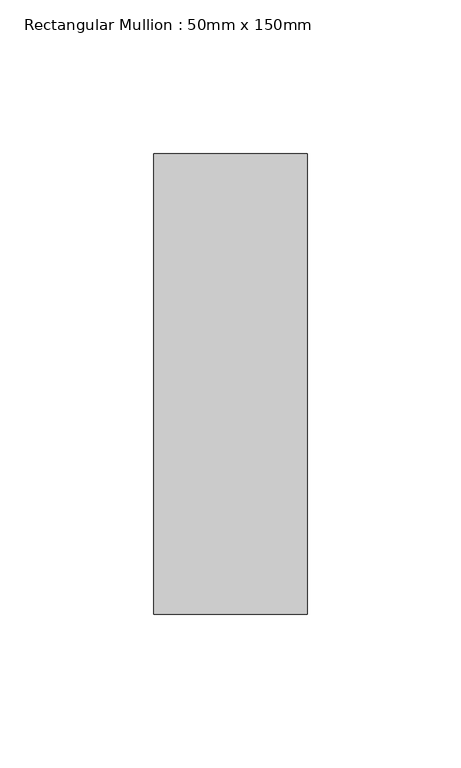
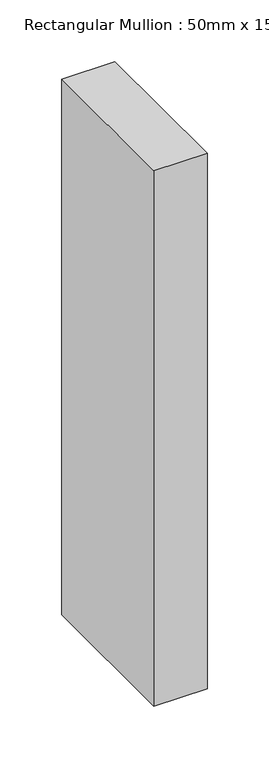
"""IFC4 building model written with IfcOpenShell, lengths in millimetres: member geometry, Rectangular Mullion : 50mm x 150mm."""

from ifc_helpers import new_model, si_unit, frame, origin, place, context, project, spatial, polyline, outline, extrude, source, transform, mapped, element, save


def rectangular_mullion_50mm_x_150mm_7eff9677(model_context):
    return source(origin(), model_context, "Body", "SweptSolid", [
        extrude(outline(polyline([(0.0, 75.0), (0.0, -75.0), (-50.0, -75.0), (-50.0, 75.0), (0.0, 75.0)])), frame((0.0, 0.0, -530.7894737), z_axis=(0.0, 0.0, 1.0), x_axis=(1.0, 0.0, 0.0)), (0.0, 0.0, 1.0), 530.7894737),
    ])


if __name__ == "__main__":
    model = new_model("IFC4")
    model_context = context("Model", 3, world=origin())
    ifc_project = project(units=[si_unit("LENGTHUNIT", "METRE", prefix="MILLI")], contexts=[model_context])
    site = spatial("IfcSite", under=ifc_project)
    building = spatial("IfcBuilding", under=site)
    placement = place(None, origin())
    rectangular_mullion_50mm_x_150mm_shape = rectangular_mullion_50mm_x_150mm_7eff9677(model_context)
    element("IfcMember", 1, ObjectType="Rectangular Mullion : 50mm x 150mm", at=placement, inside=building, context=model_context, shape_type="MappedRepresentation", body=[
        mapped(rectangular_mullion_50mm_x_150mm_shape, transform((0.0, 0.0, 0.0), x_axis=(1.0, 0.0, 0.0), y_axis=(0.0, 1.0, 0.0), z_axis=(0.0, 0.0, 1.0))),
    ])
    save(model, "model.ifc")
